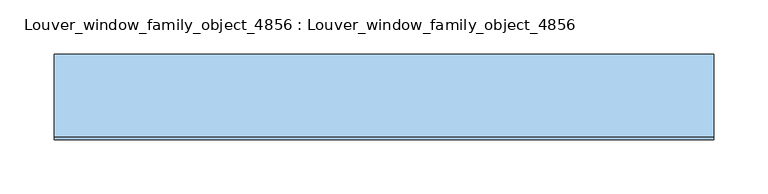
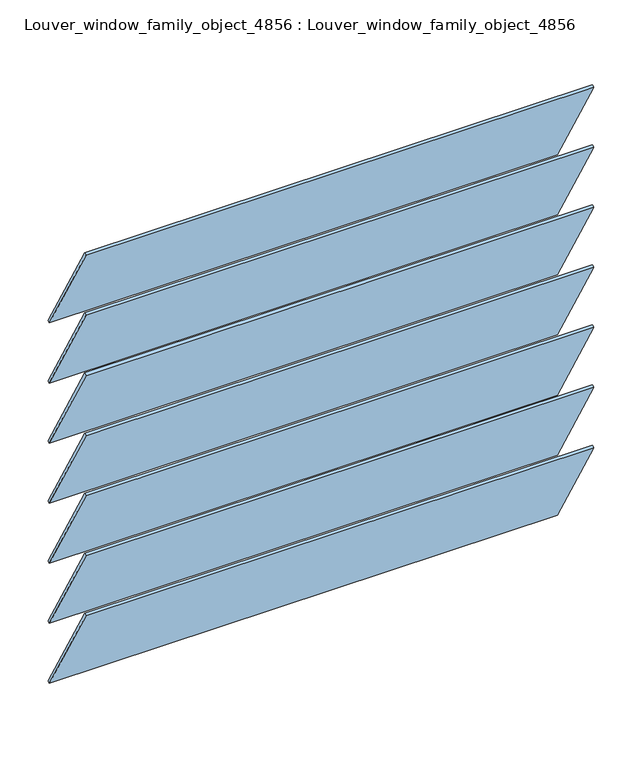
"""IFC4 building model written with IfcOpenShell, lengths in millimetres: window geometry, Louver_window_family_object_4856 : Louver_window_family_object_4856."""

from ifc_helpers import new_model, si_unit, point, frame, frame_2d, origin, place, context, project, spatial, polyline, circle_curve, trimmed, segment, composite_curve, outline, extrude, source, transform, mapped, element, save


def louver_window_family_object_4856_louver_window_family_object_97409ccb(model_context):
    return source(origin(), model_context, "Body", "SweptSolid", [
        extrude(outline(composite_curve([segment(trimmed(circle_curve(frame_2d((0.0, 1676.4)), 76.2), [point((-39.4665462, 1741.5830632))], [point((-36.7169155, 1743.1705632))], False, "CARTESIAN"), True, "CONTINUOUS"), segment(polyline([(-36.7169155, 1743.1705632), (39.4665462, 1611.2169368)]), True, "CONTINUOUS"), segment(trimmed(circle_curve(frame_2d((0.0, 1676.4)), 76.2), [point((39.4665462, 1611.2169368))], [point((36.7169155, 1609.6294368))], False, "CARTESIAN"), True, "CONTINUOUS"), segment(polyline([(36.7169155, 1609.6294368), (-39.4665462, 1741.5830632)]), True, "CONTINUOUS")], self_intersect=False)), frame((-304.8, 0.0, 0.0), z_axis=(1.0, 0.0, 0.0), x_axis=(0.0, 1.0, 0.0)), (0.0, 0.0, 1.0), 609.6),
        extrude(outline(composite_curve([segment(trimmed(circle_curve(frame_2d((0.0, 1600.2)), 76.2), [point((-39.4665462, 1665.3830632))], [point((-36.7169155, 1666.9705632))], False, "CARTESIAN"), True, "CONTINUOUS"), segment(polyline([(-36.7169155, 1666.9705632), (39.4665462, 1535.0169368)]), True, "CONTINUOUS"), segment(trimmed(circle_curve(frame_2d((0.0, 1600.2)), 76.2), [point((39.4665462, 1535.0169368))], [point((36.7169155, 1533.4294368))], False, "CARTESIAN"), True, "CONTINUOUS"), segment(polyline([(36.7169155, 1533.4294368), (-39.4665462, 1665.3830632)]), True, "CONTINUOUS")], self_intersect=False)), frame((-304.8, 0.0, 0.0), z_axis=(1.0, 0.0, 0.0), x_axis=(0.0, 1.0, 0.0)), (0.0, 0.0, 1.0), 609.6),
        extrude(outline(composite_curve([segment(trimmed(circle_curve(frame_2d((0.0, 1524.0)), 76.2), [point((-39.4665462, 1589.1830632))], [point((-36.7169155, 1590.7705632))], False, "CARTESIAN"), True, "CONTINUOUS"), segment(polyline([(-36.7169155, 1590.7705632), (39.4665462, 1458.8169368)]), True, "CONTINUOUS"), segment(trimmed(circle_curve(frame_2d((0.0, 1524.0)), 76.2), [point((39.4665462, 1458.8169368))], [point((36.7169155, 1457.2294368))], False, "CARTESIAN"), True, "CONTINUOUS"), segment(polyline([(36.7169155, 1457.2294368), (-39.4665462, 1589.1830632)]), True, "CONTINUOUS")], self_intersect=False)), frame((-304.8, 0.0, 0.0), z_axis=(1.0, 0.0, 0.0), x_axis=(0.0, 1.0, 0.0)), (0.0, 0.0, 1.0), 609.6),
        extrude(outline(composite_curve([segment(trimmed(circle_curve(frame_2d((0.0, 1447.8)), 76.2), [point((-39.4665462, 1512.9830632))], [point((-36.7169155, 1514.5705632))], False, "CARTESIAN"), True, "CONTINUOUS"), segment(polyline([(-36.7169155, 1514.5705632), (39.4665462, 1382.6169368)]), True, "CONTINUOUS"), segment(trimmed(circle_curve(frame_2d((0.0, 1447.8)), 76.2), [point((39.4665462, 1382.6169368))], [point((36.7169155, 1381.0294368))], False, "CARTESIAN"), True, "CONTINUOUS"), segment(polyline([(36.7169155, 1381.0294368), (-39.4665462, 1512.9830632)]), True, "CONTINUOUS")], self_intersect=False)), frame((-304.8, 0.0, 0.0), z_axis=(1.0, 0.0, 0.0), x_axis=(0.0, 1.0, 0.0)), (0.0, 0.0, 1.0), 609.6),
        extrude(outline(composite_curve([segment(trimmed(circle_curve(frame_2d((0.0, 1371.6)), 76.2), [point((-39.4665462, 1436.7830632))], [point((-36.7169155, 1438.3705632))], False, "CARTESIAN"), True, "CONTINUOUS"), segment(polyline([(-36.7169155, 1438.3705632), (39.4665462, 1306.4169368)]), True, "CONTINUOUS"), segment(trimmed(circle_curve(frame_2d((0.0, 1371.6)), 76.2), [point((39.4665462, 1306.4169368))], [point((36.7169155, 1304.8294368))], False, "CARTESIAN"), True, "CONTINUOUS"), segment(polyline([(36.7169155, 1304.8294368), (-39.4665462, 1436.7830632)]), True, "CONTINUOUS")], self_intersect=False)), frame((-304.8, 0.0, 0.0), z_axis=(1.0, 0.0, 0.0), x_axis=(0.0, 1.0, 0.0)), (0.0, 0.0, 1.0), 609.6),
        extrude(outline(composite_curve([segment(trimmed(circle_curve(frame_2d((0.0, 1752.6)), 76.2), [point((-39.4665462, 1817.7830632))], [point((-36.7169155, 1819.3705632))], False, "CARTESIAN"), True, "CONTINUOUS"), segment(polyline([(-36.7169155, 1819.3705632), (39.4665462, 1687.4169368)]), True, "CONTINUOUS"), segment(trimmed(circle_curve(frame_2d((0.0, 1752.6)), 76.2), [point((39.4665462, 1687.4169368))], [point((36.7169155, 1685.8294368))], False, "CARTESIAN"), True, "CONTINUOUS"), segment(polyline([(36.7169155, 1685.8294368), (-39.4665462, 1817.7830632)]), True, "CONTINUOUS")], self_intersect=False)), frame((-304.8, 0.0, 0.0), z_axis=(1.0, 0.0, 0.0), x_axis=(0.0, 1.0, 0.0)), (0.0, 0.0, 1.0), 609.6),
        extrude(outline(composite_curve([segment(trimmed(circle_curve(frame_2d((0.0, 1295.4)), 76.2), [point((-39.4665462, 1360.5830632))], [point((-36.7169155, 1362.1705632))], False, "CARTESIAN"), True, "CONTINUOUS"), segment(polyline([(-36.7169155, 1362.1705632), (39.4665462, 1230.2169368)]), True, "CONTINUOUS"), segment(trimmed(circle_curve(frame_2d((0.0, 1295.4)), 76.2), [point((39.4665462, 1230.2169368))], [point((36.7169155, 1228.6294368))], False, "CARTESIAN"), True, "CONTINUOUS"), segment(polyline([(36.7169155, 1228.6294368), (-39.4665462, 1360.5830632)]), True, "CONTINUOUS")], self_intersect=False)), frame((-304.8, 0.0, 0.0), z_axis=(1.0, 0.0, 0.0), x_axis=(0.0, 1.0, 0.0)), (0.0, 0.0, 1.0), 609.6),
    ])


if __name__ == "__main__":
    model = new_model("IFC4")
    model_context = context("Model", 3, world=origin())
    ifc_project = project(units=[si_unit("LENGTHUNIT", "METRE", prefix="MILLI")], contexts=[model_context])
    site = spatial("IfcSite", under=ifc_project)
    building = spatial("IfcBuilding", under=site)
    placement = place(None, origin())
    louver_window_family_object_4856_louver_window_family_object_shape = louver_window_family_object_4856_louver_window_family_object_97409ccb(model_context)
    element("IfcWindow", 1, ObjectType="Louver_window_family_object_4856 : Louver_window_family_object_4856", at=placement, inside=building, context=model_context, shape_type="MappedRepresentation", body=[
        mapped(louver_window_family_object_4856_louver_window_family_object_shape, transform((0.0, 0.0, 0.0), x_axis=(1.0, 0.0, 0.0), y_axis=(0.0, 1.0, 0.0), z_axis=(0.0, 0.0, 1.0))),
    ])
    save(model, "model.ifc")
